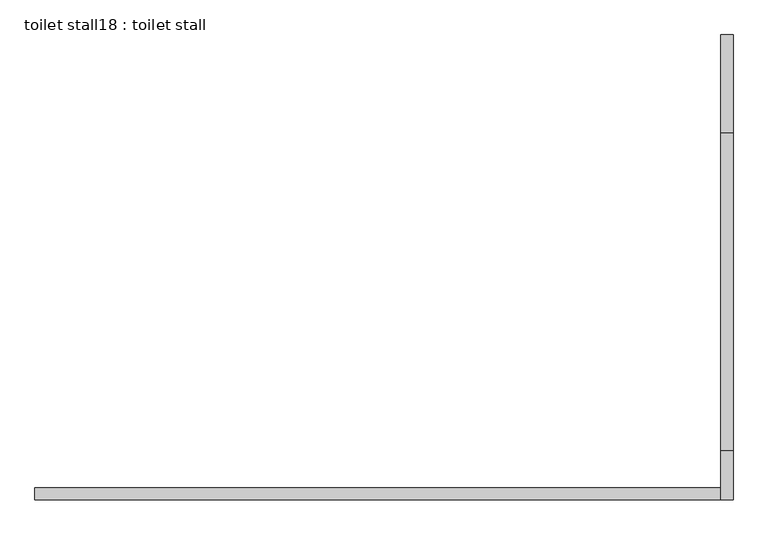
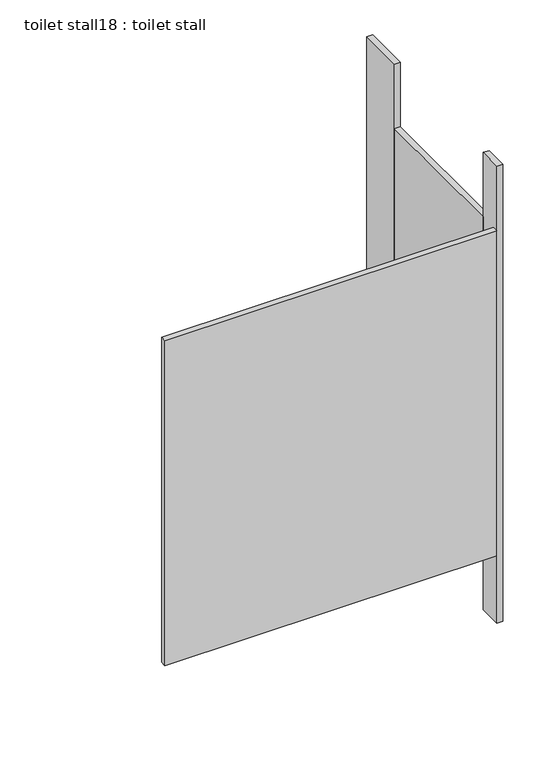
"""IFC4 building model written with IfcOpenShell, lengths in millimetres: proxy geometry, toilet stall18 : toilet stall."""

from ifc_helpers import new_model, si_unit, frame, origin, origin_with_axes, place, context, project, spatial, polyline, outline, extrude, source, transform, mapped, element, save


def toilet_stall18_toilet_stall_921eb613(model_context):
    return source(origin(), model_context, "Body", "SweptSolid", [
        extrude(outline(polyline([(458207.8504676, -272792.0113632), (458207.8504676, -272588.8113632), (458233.2504676, -272588.8113632), (458233.2504676, -272792.0113632), (458207.8504676, -272792.0113632)])), origin_with_axes(), (0.0, 0.0, 1.0), 2070.1),
        extrude(outline(polyline([(458207.8504676, -273554.0113632), (458207.8504676, -273452.4113632), (458233.2504676, -273452.4113632), (458233.2504676, -273554.0113632), (458207.8504676, -273554.0113632)])), origin_with_axes(), (0.0, 0.0, 1.0), 2070.1),
        extrude(outline(polyline([(458207.8504676, -273554.0113632), (456785.4504676, -273554.0113632), (456785.4504676, -273528.6113632), (458207.8504676, -273528.6113632), (458207.8504676, -273554.0113632)])), frame((0.0, 0.0, 304.8), z_axis=(0.0, 0.0, 1.0), x_axis=(1.0, 0.0, 0.0)), (0.0, 0.0, 1.0), 1473.2),
        extrude(outline(polyline([(458207.8504676, -273452.4113632), (458207.8504676, -272792.0113632), (458233.2504676, -272792.0113632), (458233.2504676, -273452.4113632), (458207.8504676, -273452.4113632)])), frame((0.0, 0.0, 304.8), z_axis=(0.0, 0.0, 1.0), x_axis=(1.0, 0.0, 0.0)), (0.0, 0.0, 1.0), 1473.2),
    ])


if __name__ == "__main__":
    model = new_model("IFC4")
    model_context = context("Model", 3, world=origin())
    ifc_project = project(units=[si_unit("LENGTHUNIT", "METRE", prefix="MILLI")], contexts=[model_context])
    site = spatial("IfcSite", under=ifc_project)
    building = spatial("IfcBuilding", under=site)
    placement = place(None, origin())
    toilet_stall18_toilet_stall_shape = toilet_stall18_toilet_stall_921eb613(model_context)
    element("IfcBuildingElementProxy", 1, Name="toilet stall18 : toilet stall", ObjectType="toilet stall18 : toilet stall", at=placement, inside=building, context=model_context, shape_type="MappedRepresentation", body=[
        mapped(toilet_stall18_toilet_stall_shape, transform((0.0, 0.0, 0.0), x_axis=(1.0, 0.0, 0.0), y_axis=(0.0, 1.0, 0.0), z_axis=(0.0, 0.0, 1.0))),
    ])
    save(model, "model.ifc")
